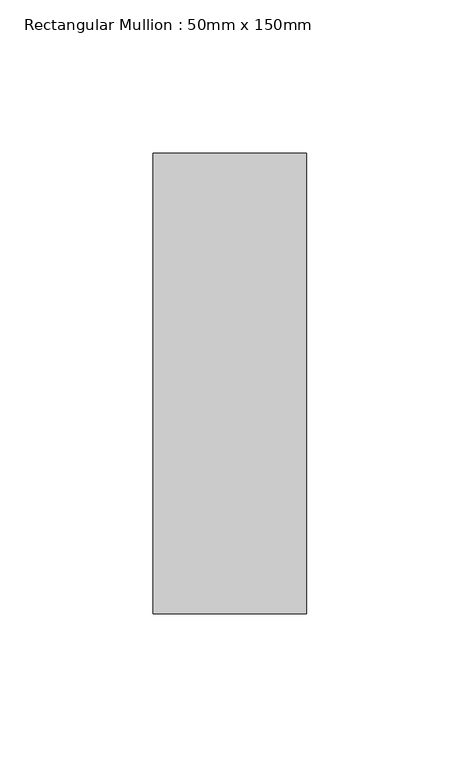
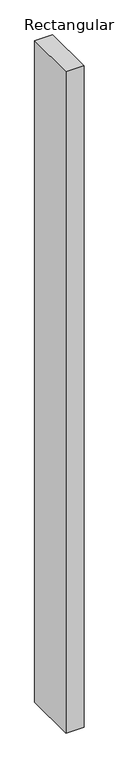
"""IFC4 building model written with IfcOpenShell, lengths in millimetres: member geometry, Rectangular Mullion : 50mm x 150mm."""

from ifc_helpers import new_model, si_unit, frame, origin, place, context, project, spatial, polyline, outline, extrude, source, transform, mapped, element, save


def rectangular_mullion_50mm_x_150mm_877f9ac2(model_context):
    return source(origin(), model_context, "Body", "SweptSolid", [
        extrude(outline(polyline([(25.0, 75.0), (25.0, -75.0), (-25.0, -75.0), (-25.0, 75.0), (25.0, 75.0)])), frame((0.0, 0.0, -1936.6666667), z_axis=(0.0, 0.0, 1.0), x_axis=(1.0, 0.0, 0.0)), (0.0, 0.0, 1.0), 1936.6666667),
    ])


if __name__ == "__main__":
    model = new_model("IFC4")
    model_context = context("Model", 3, world=origin())
    ifc_project = project(units=[si_unit("LENGTHUNIT", "METRE", prefix="MILLI")], contexts=[model_context])
    site = spatial("IfcSite", under=ifc_project)
    building = spatial("IfcBuilding", under=site)
    placement = place(None, origin())
    rectangular_mullion_50mm_x_150mm_shape = rectangular_mullion_50mm_x_150mm_877f9ac2(model_context)
    element("IfcMember", 1, ObjectType="Rectangular Mullion : 50mm x 150mm", at=placement, inside=building, context=model_context, shape_type="MappedRepresentation", body=[
        mapped(rectangular_mullion_50mm_x_150mm_shape, transform((0.0, 0.0, 0.0), x_axis=(1.0, 0.0, 0.0), y_axis=(0.0, 1.0, 0.0), z_axis=(0.0, 0.0, 1.0))),
    ])
    save(model, "model.ifc")
